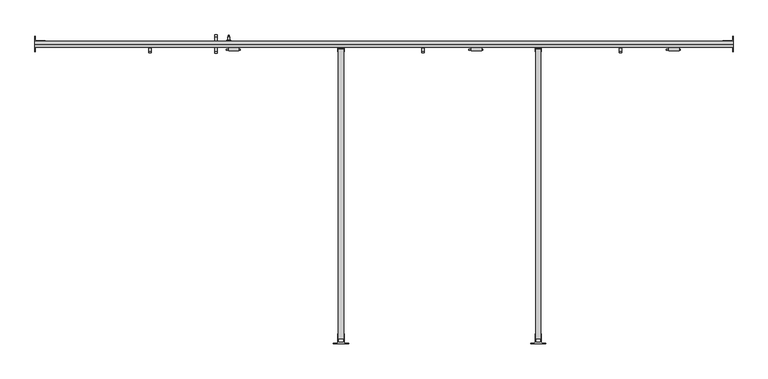
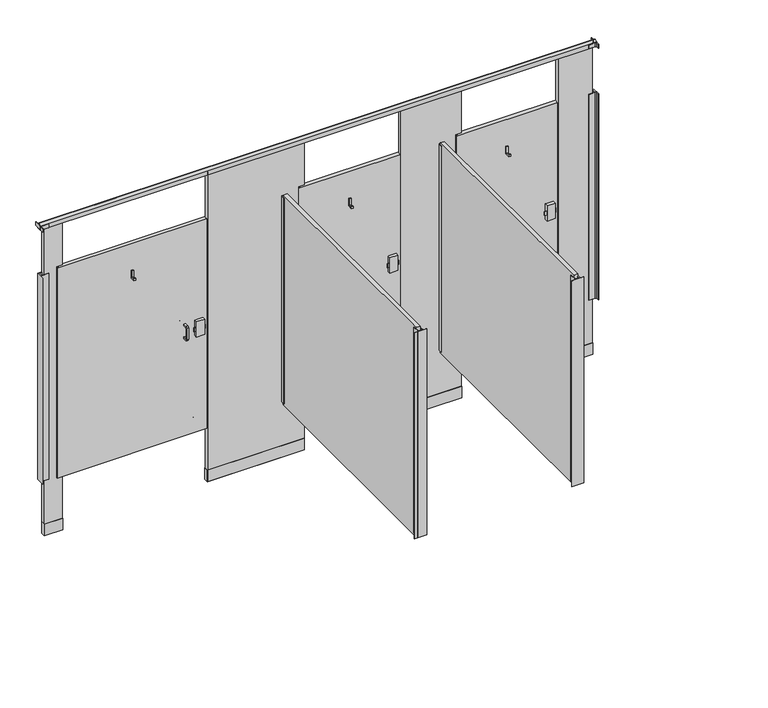
"""IFC4 building model written with IfcOpenShell, lengths in millimetres: proxy geometry."""

from ifc_helpers import new_model, si_unit, point, frame, frame_2d, origin, origin_with_axes, place, context, project, spatial, polyline, circle_curve, ellipse_curve, trimmed, segment, composite_curve, outline, extrude, source, transform, mapped, element, save
from ifc_brep_helpers import plane_surface, cylinder_surface, revolved_surface, advanced_brep


def specialty_equipment_36c74405(model_context):
    return source(origin(), model_context, "Body", "SolidModel", [
        extrude(outline(composite_curve([segment(trimmed(circle_curve(frame_2d((307.0354547, 1501.775)), 4.1602747), [point((311.1957294, 1501.775))], [point((302.87518, 1501.775))], False, "CARTESIAN"), True, "CONTINUOUS"), segment(trimmed(circle_curve(frame_2d((307.0354547, 1501.775)), 4.1602747), [point((302.87518, 1501.775))], [point((311.1957294, 1501.775))], False, "CARTESIAN"), True, "CONTINUOUS")], self_intersect=False)), frame((0.0, 0.0, 1752.6), z_axis=(0.0, 0.0, 1.0), x_axis=(1.0, 0.0, 0.0)), (0.0, 0.0, 1.0), 12.7),
        extrude(outline(polyline([(1220.2932592, 1474.4550203), (1220.2932592, 1471.4824847), (1150.2733709, 1471.4824847), (1150.2733709, 1474.4550203), (1220.2932592, 1474.4550203)])), frame((0.0, 0.0, 1041.4), z_axis=(0.0, 0.0, 1.0), x_axis=(1.0, 0.0, 0.0)), (0.0, 0.0, 1.0), 25.4),
        extrude(outline(composite_curve([segment(polyline([(1466.2141724, 1102.36), (1489.0741724, 1102.36), (1489.0741724, 1092.2), (1466.2141724, 1092.2)]), True, "CONTINUOUS"), segment(trimmed(circle_curve(frame_2d((1466.2141724, 1089.66)), 2.54), [point((1466.2141724, 1092.2))], [point((1463.6741724, 1089.66))], True, "CARTESIAN"), True, "CONTINUOUS"), segment(polyline([(1463.6741724, 1089.66), (1463.6741724, 1018.54)]), True, "CONTINUOUS"), segment(trimmed(circle_curve(frame_2d((1466.2141724, 1018.54)), 2.54), [point((1463.6741724, 1018.54))], [point((1466.2141724, 1016.0))], True, "CARTESIAN"), True, "CONTINUOUS"), segment(polyline([(1466.2141724, 1016.0), (1489.0741724, 1016.0), (1489.0741724, 1005.84), (1466.2141724, 1005.84)]), True, "CONTINUOUS"), segment(trimmed(circle_curve(frame_2d((1466.2141724, 1016.0)), 10.16), [point((1466.2141724, 1005.84))], [point((1456.0541724, 1016.0))], False, "CARTESIAN"), True, "CONTINUOUS"), segment(polyline([(1456.0541724, 1016.0), (1456.0541724, 1092.2)]), True, "CONTINUOUS"), segment(trimmed(circle_curve(frame_2d((1466.2141724, 1092.2)), 10.16), [point((1456.0541724, 1092.2))], [point((1466.2141724, 1102.36))], False, "CARTESIAN"), True, "CONTINUOUS")], self_intersect=False)), frame((1094.4120131, 0.0, 0.0), z_axis=(1.0, 0.0, 0.0), x_axis=(0.0, 1.0, 0.0)), (0.0, 0.0, 1.0), 11.4113578),
        extrude(outline(composite_curve([segment(trimmed(circle_curve(frame_2d((1537.335, 1092.2)), 10.16), [point((1537.335, 1102.36))], [point((1547.495, 1092.2))], False, "CARTESIAN"), True, "CONTINUOUS"), segment(polyline([(1547.495, 1092.2), (1547.495, 1016.0)]), True, "CONTINUOUS"), segment(trimmed(circle_curve(frame_2d((1537.335, 1016.0)), 10.16), [point((1547.495, 1016.0))], [point((1537.335, 1005.84))], False, "CARTESIAN"), True, "CONTINUOUS"), segment(polyline([(1537.335, 1005.84), (1514.475, 1005.84), (1514.475, 1016.0), (1537.335, 1016.0)]), True, "CONTINUOUS"), segment(trimmed(circle_curve(frame_2d((1537.335, 1018.54)), 2.54), [point((1537.335, 1016.0))], [point((1539.875, 1018.54))], True, "CARTESIAN"), True, "CONTINUOUS"), segment(polyline([(1539.875, 1018.54), (1539.875, 1089.66)]), True, "CONTINUOUS"), segment(trimmed(circle_curve(frame_2d((1537.335, 1089.66)), 2.54), [point((1539.875, 1089.66))], [point((1537.335, 1092.2))], True, "CARTESIAN"), True, "CONTINUOUS"), segment(polyline([(1537.335, 1092.2), (1514.475, 1092.2), (1514.475, 1102.36), (1537.335, 1102.36)]), True, "CONTINUOUS")], self_intersect=False)), frame((1094.4120131, 0.0, 0.0), z_axis=(1.0, 0.0, 0.0), x_axis=(0.0, 1.0, 0.0)), (0.0, 0.0, 1.0), 11.4113578),
        extrude(outline(polyline([(1489.0741724, 1525.7003365), (1457.3241724, 1525.7003365), (1457.3241724, 1538.4003365), (1463.6741724, 1538.4003365), (1463.6741724, 1532.0503365), (1482.7241724, 1532.0503365), (1482.7241724, 1576.5003365), (1489.0741724, 1576.5003365), (1489.0741724, 1525.7003365)])), frame((762.0002547, 0.0, 0.0), z_axis=(1.0, 0.0, 0.0), x_axis=(0.0, 1.0, 0.0)), (0.0, 0.0, 1.0), 12.7),
        extrude(outline(composite_curve([segment(trimmed(circle_curve(frame_2d((431.8, 1163.6250547)), 3.4532283), [point((428.3467717, 1163.6250547))], [point((435.2532283, 1163.6250547))], False, "CARTESIAN"), True, "CONTINUOUS"), segment(trimmed(circle_curve(frame_2d((431.8, 1163.6250547)), 3.4532283), [point((435.2532283, 1163.6250547))], [point((428.3467717, 1163.6250547))], False, "CARTESIAN"), True, "CONTINUOUS")], self_intersect=False)), frame((0.0, 1537.335, 0.0), z_axis=(0.0, 1.0, 0.0), x_axis=(0.0, 0.0, 1.0)), (0.0, 0.0, 1.0), 7.62),
        advanced_brep(
        [(1163.6250547, 1514.475, 431.8), (1182.6750547, 1514.475, 431.8), (1144.5750547, 1514.475, 431.8), (1168.7050547, 1537.335, 431.8), (1163.6250547, 1537.335, 431.8), (1158.5450547, 1537.335, 431.8), (1168.7050547, 1522.095, 431.8), (1158.5450547, 1522.095, 431.8), (1173.7850547, 1517.015, 431.8), (1153.4650547, 1517.015, 431.8), (1182.6750547, 1517.015, 431.8), (1144.5750547, 1517.015, 431.8)],
        [
            (0, 1),
            (1, 2, circle_curve(frame((1163.6250547, 1514.475, 431.8), z_axis=(0.0, -1.0, 0.0), x_axis=(-1.0, 0.0, 0.0)), 19.05)),
            (2, 0),
            (2, 1, circle_curve(frame((1163.6250547, 1514.475, 431.8), z_axis=(0.0, -1.0, 0.0), x_axis=(-1.0, 0.0, 0.0)), 19.05)),
            (3, 4),
            (4, 5),
            (5, 3, circle_curve(frame((1163.6250547, 1537.335, 431.8), z_axis=(0.0, 1.0, 0.0), x_axis=(-1.0, 0.0, 0.0)), 5.08)),
            (3, 5, circle_curve(frame((1163.6250547, 1537.335, 431.8), z_axis=(0.0, 1.0, 0.0), x_axis=(-1.0, 0.0, 0.0)), 5.08)),
            (6, 3),
            (5, 7),
            (7, 6, circle_curve(frame((1163.6250547, 1522.095, 431.8), z_axis=(0.0, 1.0, 0.0), x_axis=(-1.0, 0.0, 0.0)), 5.08)),
            (6, 7, circle_curve(frame((1163.6250547, 1522.095, 431.8), z_axis=(0.0, 1.0, 0.0), x_axis=(-1.0, 0.0, 0.0)), 5.08)),
            (8, 6, circle_curve(frame((1168.7050547, 1517.015, 431.8), z_axis=(0.0, 0.0, 1.0), x_axis=(0.0, 1.0, 0.0)), 5.08)),
            (7, 9, circle_curve(frame((1158.5450547, 1517.015, 431.8), z_axis=(0.0, 0.0, 1.0), x_axis=(0.0, 1.0, 0.0)), 5.08)),
            (9, 8, circle_curve(frame((1163.6250547, 1517.015, 431.8), z_axis=(0.0, 1.0, 0.0), x_axis=(-1.0, 0.0, 0.0)), 10.16)),
            (8, 9, circle_curve(frame((1163.6250547, 1517.015, 431.8), z_axis=(0.0, 1.0, 0.0), x_axis=(-1.0, 0.0, 0.0)), 10.16)),
            (10, 8),
            (9, 11),
            (11, 10, circle_curve(frame((1163.6250547, 1517.015, 431.8), z_axis=(0.0, 1.0, 0.0), x_axis=(-1.0, 0.0, 0.0)), 19.05)),
            (10, 11, circle_curve(frame((1163.6250547, 1517.015, 431.8), z_axis=(0.0, 1.0, 0.0), x_axis=(-1.0, 0.0, 0.0)), 19.05)),
            (1, 10),
            (11, 2),
        ],
        [
            plane_surface(frame((1163.6250547, 1514.475, 431.8), z_axis=(0.0, -1.0, 0.0), x_axis=(-1.0, 0.0, 0.0))),
            plane_surface(frame((1163.6250547, 1537.335, 431.8), z_axis=(0.0, 1.0, 0.0), x_axis=(-1.0, 0.0, 0.0))),
            cylinder_surface(frame((1163.6250547, 1558.4547247, 431.8), z_axis=(0.0, -1.0, 0.0), x_axis=(-1.0, 0.0, 0.0)), 5.08),
            revolved_surface(trimmed(ellipse_curve(frame((1158.5450547, 1517.015, 431.8), z_axis=(0.0, 0.0, 1.0), x_axis=(0.0, 1.0, 0.0)), 5.08, 5.08), [point((1158.5450547, 1522.095, 431.8))], [point((1153.4650547, 1517.015, 431.8))], True, "CARTESIAN"), (1163.6250547, 1558.4547247, 431.8), (0.0, -1.0, 0.0)),
            plane_surface(frame((1163.6250547, 1517.015, 431.8), z_axis=(0.0, 1.0, 0.0), x_axis=(-1.0, 0.0, 0.0))),
            cylinder_surface(frame((1163.6250547, 1558.4547247, 431.8), z_axis=(0.0, -1.0, 0.0), x_axis=(-1.0, 0.0, 0.0)), 19.05),
        ],
        [
            (0, [[1, 2, 3]]),
            (0, [[-3, 4, -1]]),
            (1, [[5, 6, 7]]),
            (1, [[-6, -5, 8]]),
            (2, [[9, -7, 10, 11]]),
            (2, [[-10, -8, -9, 12]]),
            (3, [[13, -11, 14, 15]]),
            (3, [[-14, -12, -13, 16]]),
            (4, [[17, -15, 18, 19]]),
            (4, [[-18, -16, -17, 20]]),
            (5, [[21, -19, 22, -2]]),
            (5, [[-22, -20, -21, -4]]),
        ],
    ),
        extrude(outline(polyline([(1214.4250547, 1489.0741724), (1214.4250547, 1468.9965532), (1162.9733709, 1468.9965532), (1162.9733709, 1489.0741724), (1214.4250547, 1489.0741724)])), frame((0.0, 0.0, 1003.3), z_axis=(0.0, 0.0, 1.0), x_axis=(1.0, 0.0, 0.0)), (0.0, 0.0, 1.0), 101.6),
        extrude(outline(composite_curve([segment(trimmed(circle_curve(frame_2d((1831.0354547, 1501.775)), 4.1602747), [point((1835.1957294, 1501.775))], [point((1826.87518, 1501.775))], False, "CARTESIAN"), True, "CONTINUOUS"), segment(trimmed(circle_curve(frame_2d((1831.0354547, 1501.775)), 4.1602747), [point((1826.87518, 1501.775))], [point((1835.1957294, 1501.775))], False, "CARTESIAN"), True, "CONTINUOUS")], self_intersect=False)), frame((0.0, 0.0, 1752.6), z_axis=(0.0, 0.0, 1.0), x_axis=(1.0, 0.0, 0.0)), (0.0, 0.0, 1.0), 12.7),
        extrude(outline(polyline([(2439.4932592, 1474.4550203), (2439.4932592, 1471.4824847), (2369.4733709, 1471.4824847), (2369.4733709, 1474.4550203), (2439.4932592, 1474.4550203)])), frame((0.0, 0.0, 1041.4), z_axis=(0.0, 0.0, 1.0), x_axis=(1.0, 0.0, 0.0)), (0.0, 0.0, 1.0), 25.4),
        extrude(outline(polyline([(1489.0741724, 1525.7003365), (1457.3241724, 1525.7003365), (1457.3241724, 1538.4003365), (1463.6741724, 1538.4003365), (1463.6741724, 1532.0503365), (1482.7241724, 1532.0503365), (1482.7241724, 1576.5003365), (1489.0741724, 1576.5003365), (1489.0741724, 1525.7003365)])), frame((2133.6002547, 0.0, 0.0), z_axis=(1.0, 0.0, 0.0), x_axis=(0.0, 1.0, 0.0)), (0.0, 0.0, 1.0), 12.7),
        extrude(outline(polyline([(2433.6250547, 1489.0741724), (2433.6250547, 1468.9965532), (2382.1733709, 1468.9965532), (2382.1733709, 1489.0741724), (2433.6250547, 1489.0741724)])), frame((0.0, 0.0, 1003.3), z_axis=(0.0, 0.0, 1.0), x_axis=(1.0, 0.0, 0.0)), (0.0, 0.0, 1.0), 101.6),
        extrude(outline(composite_curve([segment(trimmed(circle_curve(frame_2d((2821.6354547, 1501.775)), 4.1602747), [point((2825.7957294, 1501.775))], [point((2817.47518, 1501.775))], False, "CARTESIAN"), True, "CONTINUOUS"), segment(trimmed(circle_curve(frame_2d((2821.6354547, 1501.775)), 4.1602747), [point((2817.47518, 1501.775))], [point((2825.7957294, 1501.775))], False, "CARTESIAN"), True, "CONTINUOUS")], self_intersect=False)), frame((0.0, 0.0, 1752.6), z_axis=(0.0, 0.0, 1.0), x_axis=(1.0, 0.0, 0.0)), (0.0, 0.0, 1.0), 12.7),
        extrude(outline(polyline([(3430.0932592, 1474.4550203), (3430.0932592, 1471.4824847), (3360.0733709, 1471.4824847), (3360.0733709, 1474.4550203), (3430.0932592, 1474.4550203)])), frame((0.0, 0.0, 1041.4), z_axis=(0.0, 0.0, 1.0), x_axis=(1.0, 0.0, 0.0)), (0.0, 0.0, 1.0), 25.4),
        extrude(outline(polyline([(1489.0741724, 1525.7003365), (1457.3241724, 1525.7003365), (1457.3241724, 1538.4003365), (1463.6741724, 1538.4003365), (1463.6741724, 1532.0503365), (1482.7241724, 1532.0503365), (1482.7241724, 1576.5003365), (1489.0741724, 1576.5003365), (1489.0741724, 1525.7003365)])), frame((3124.2002547, 0.0, 0.0), z_axis=(1.0, 0.0, 0.0), x_axis=(0.0, 1.0, 0.0)), (0.0, 0.0, 1.0), 12.7),
        extrude(outline(polyline([(3424.2250547, 1489.0741724), (3424.2250547, 1468.9965532), (3372.7733709, 1468.9965532), (3372.7733709, 1489.0741724), (3424.2250547, 1489.0741724)])), frame((0.0, 0.0, 1003.3), z_axis=(0.0, 0.0, 1.0), x_axis=(1.0, 0.0, 0.0)), (0.0, 0.0, 1.0), 101.6),
        extrude(outline(composite_curve([segment(polyline([(190.5002547, 1463.675), (190.5002547, 1539.875), (193.0402547, 1539.875), (193.0402547, 1523.365)]), True, "CONTINUOUS"), segment(trimmed(circle_curve(frame_2d((199.3902547, 1523.365)), 6.35), [point((193.0402547, 1523.365))], [point((199.3902547, 1517.015))], True, "CARTESIAN"), True, "CONTINUOUS"), segment(polyline([(199.3902547, 1517.015), (241.3002547, 1517.015), (241.3002547, 1514.475), (197.4480735, 1514.475), (197.4480735, 1489.075), (241.3002547, 1489.075), (241.3002547, 1486.535), (199.3902547, 1486.535)]), True, "CONTINUOUS"), segment(trimmed(circle_curve(frame_2d((199.3902547, 1480.185)), 6.35), [point((199.3902547, 1486.535))], [point((193.0402547, 1480.185))], True, "CARTESIAN"), True, "CONTINUOUS"), segment(polyline([(193.0402547, 1480.185), (193.0402547, 1463.675), (190.5002547, 1463.675)]), True, "CONTINUOUS")], self_intersect=False)), frame((0.0, 0.0, 2044.7), z_axis=(0.0, 0.0, 1.0), x_axis=(1.0, 0.0, 0.0)), (0.0, 0.0, 1.0), 25.4),
        extrude(outline(composite_curve([segment(polyline([(3695.7002547, 1539.875), (3695.7002547, 1463.675), (3693.1602547, 1463.675), (3693.1602547, 1480.185)]), True, "CONTINUOUS"), segment(trimmed(circle_curve(frame_2d((3686.8102547, 1480.185)), 6.35), [point((3693.1602547, 1480.185))], [point((3686.8102547, 1486.535))], True, "CARTESIAN"), True, "CONTINUOUS"), segment(polyline([(3686.8102547, 1486.535), (3644.9002547, 1486.535), (3644.9002547, 1489.075), (3688.7524359, 1489.075), (3688.7524359, 1514.475), (3644.9002547, 1514.475), (3644.9002547, 1517.015), (3686.8102547, 1517.015)]), True, "CONTINUOUS"), segment(trimmed(circle_curve(frame_2d((3686.8102547, 1523.365)), 6.35), [point((3686.8102547, 1517.015))], [point((3693.1602547, 1523.365))], True, "CARTESIAN"), True, "CONTINUOUS"), segment(polyline([(3693.1602547, 1523.365), (3693.1602547, 1539.875), (3695.7002547, 1539.875)]), True, "CONTINUOUS")], self_intersect=False)), frame((0.0, 0.0, 2044.7), z_axis=(0.0, 0.0, 1.0), x_axis=(1.0, 0.0, 0.0)), (0.0, 0.0, 1.0), 25.4),
        extrude(outline(composite_curve([segment(polyline([(3695.7002547, 1463.675), (3693.1602547, 1463.675), (3693.1602547, 1480.185)]), True, "CONTINUOUS"), segment(trimmed(circle_curve(frame_2d((3686.8102547, 1480.185)), 6.35), [point((3693.1602547, 1480.185))], [point((3686.8102547, 1486.535))], True, "CARTESIAN"), True, "CONTINUOUS"), segment(polyline([(3686.8102547, 1486.535), (3644.9002547, 1486.535), (3644.9002547, 1489.075), (3688.7524359, 1489.075), (3688.7524359, 1514.475), (3644.9002547, 1514.475), (3644.9002547, 1517.015), (3695.7002547, 1517.015), (3695.7002547, 1463.675)]), True, "CONTINUOUS")], self_intersect=False)), frame((0.0, 0.0, 368.3), z_axis=(0.0, 0.0, 1.0), x_axis=(1.0, 0.0, 0.0)), (0.0, 0.0, 1.0), 1371.6),
        extrude(outline(polyline([(2702.5602547, 1489.075), (2733.0402547, 1489.075), (2733.0402547, 1463.675), (2730.5002547, 1463.675), (2730.5002547, 1482.1271812), (2705.1002547, 1482.1271812), (2705.1002547, 1463.675), (2702.5602547, 1463.675), (2702.5602547, 1489.075)])), frame((0.0, 0.0, 368.3), z_axis=(0.0, 0.0, 1.0), x_axis=(1.0, 0.0, 0.0)), (0.0, 0.0, 1.0), 1371.6),
        extrude(outline(composite_curve([segment(polyline([(2755.9002547, -3.175), (2679.7002547, -3.175), (2679.7002547, -0.635), (2696.2102547, -0.635)]), True, "CONTINUOUS"), segment(trimmed(circle_curve(frame_2d((2696.2102547, 5.715)), 6.35), [point((2696.2102547, -0.635))], [point((2702.5602547, 5.715))], True, "CARTESIAN"), True, "CONTINUOUS"), segment(polyline([(2702.5602547, 5.715), (2702.5602547, 47.625), (2705.1002547, 47.625), (2705.1002547, 3.7728188), (2730.5002547, 3.7728188), (2730.5002547, 47.625), (2733.0402547, 47.625), (2733.0402547, 5.715)]), True, "CONTINUOUS"), segment(trimmed(circle_curve(frame_2d((2739.3902547, 5.715)), 6.35), [point((2733.0402547, 5.715))], [point((2739.3902547, -0.635))], True, "CARTESIAN"), True, "CONTINUOUS"), segment(polyline([(2739.3902547, -0.635), (2755.9002547, -0.635), (2755.9002547, -3.175)]), True, "CONTINUOUS")], self_intersect=False)), frame((0.0, 0.0, 368.3), z_axis=(0.0, 0.0, 1.0), x_axis=(1.0, 0.0, 0.0)), (0.0, 0.0, 1.0), 1371.6),
        extrude(outline(composite_curve([segment(polyline([(190.5002547, 1463.675), (190.5002547, 1517.015), (241.3002547, 1517.015), (241.3002547, 1514.475), (197.4480735, 1514.475), (197.4480735, 1489.075), (241.3002547, 1489.075), (241.3002547, 1486.535), (199.3902547, 1486.535)]), True, "CONTINUOUS"), segment(trimmed(circle_curve(frame_2d((199.3902547, 1480.185)), 6.35), [point((199.3902547, 1486.535))], [point((193.0402547, 1480.185))], True, "CARTESIAN"), True, "CONTINUOUS"), segment(polyline([(193.0402547, 1480.185), (193.0402547, 1463.675), (190.5002547, 1463.675)]), True, "CONTINUOUS")], self_intersect=False)), frame((0.0, 0.0, 368.3), z_axis=(0.0, 0.0, 1.0), x_axis=(1.0, 0.0, 0.0)), (0.0, 0.0, 1.0), 1371.6),
        extrude(outline(polyline([(1711.9602547, 1489.075), (1742.4402547, 1489.075), (1742.4402547, 1463.675), (1739.9002547, 1463.675), (1739.9002547, 1482.1271812), (1714.5002547, 1482.1271812), (1714.5002547, 1463.675), (1711.9602547, 1463.675), (1711.9602547, 1489.075)])), frame((0.0, 0.0, 368.3), z_axis=(0.0, 0.0, 1.0), x_axis=(1.0, 0.0, 0.0)), (0.0, 0.0, 1.0), 1371.6),
        extrude(outline(composite_curve([segment(polyline([(1765.3002547, -3.175), (1689.1002547, -3.175), (1689.1002547, -0.635), (1705.6102547, -0.635)]), True, "CONTINUOUS"), segment(trimmed(circle_curve(frame_2d((1705.6102547, 5.715)), 6.35), [point((1705.6102547, -0.635))], [point((1711.9602547, 5.715))], True, "CARTESIAN"), True, "CONTINUOUS"), segment(polyline([(1711.9602547, 5.715), (1711.9602547, 47.625), (1714.5002547, 47.625), (1714.5002547, 3.7728188), (1739.9002547, 3.7728188), (1739.9002547, 47.625), (1742.4402547, 47.625), (1742.4402547, 5.715)]), True, "CONTINUOUS"), segment(trimmed(circle_curve(frame_2d((1748.7902547, 5.715)), 6.35), [point((1742.4402547, 5.715))], [point((1748.7902547, -0.635))], True, "CARTESIAN"), True, "CONTINUOUS"), segment(polyline([(1748.7902547, -0.635), (1765.3002547, -0.635), (1765.3002547, -3.175)]), True, "CONTINUOUS")], self_intersect=False)), frame((0.0, 0.0, 368.3), z_axis=(0.0, 0.0, 1.0), x_axis=(1.0, 0.0, 0.0)), (0.0, 0.0, 1.0), 1371.6),
        extrude(outline(polyline([(214.9858547, 1488.1606), (214.9858547, 1515.3894), (331.1146547, 1515.3894), (331.1146547, 1488.1606), (214.9858547, 1488.1606)])), origin_with_axes(), (0.0, 0.0, 1.0), 76.2),
        extrude(outline(polyline([(2462.8858547, 1488.1606), (2462.8858547, 1515.3894), (2845.7146547, 1515.3894), (2845.7146547, 1488.1606), (2462.8858547, 1488.1606)])), origin_with_axes(), (0.0, 0.0, 1.0), 76.2),
        extrude(outline(polyline([(1243.6858547, 1488.1606), (1243.6858547, 1515.3894), (1855.1146547, 1515.3894), (1855.1146547, 1488.1606), (1243.6858547, 1488.1606)])), origin_with_axes(), (0.0, 0.0, 1.0), 76.2),
        extrude(outline(polyline([(3453.4858547, 1488.1606), (3453.4858547, 1515.3894), (3671.2146547, 1515.3894), (3671.2146547, 1488.1606), (3453.4858547, 1488.1606)])), origin_with_axes(), (0.0, 0.0, 1.0), 76.2),
        extrude(outline(polyline([(2459.0250547, 1514.475), (2459.0250547, 1489.075), (1820.8754547, 1489.075), (1820.8754547, 1514.475), (2459.0250547, 1514.475)])), frame((0.0, 0.0, 355.6), z_axis=(0.0, 0.0, 1.0), x_axis=(1.0, 0.0, 0.0)), (0.0, 0.0, 1.0), 1397.0),
        extrude(outline(polyline([(3449.6250547, 1514.475), (3449.6250547, 1489.075), (2811.4754547, 1489.075), (2811.4754547, 1514.475), (3449.6250547, 1514.475)])), frame((0.0, 0.0, 355.6), z_axis=(0.0, 0.0, 1.0), x_axis=(1.0, 0.0, 0.0)), (0.0, 0.0, 1.0), 1397.0),
        extrude(outline(polyline([(1239.8250547, 1514.475), (1239.8250547, 1489.075), (296.8754547, 1489.075), (296.8754547, 1514.475), (1239.8250547, 1514.475)])), frame((0.0, 0.0, 355.6), z_axis=(0.0, 0.0, 1.0), x_axis=(1.0, 0.0, 0.0)), (0.0, 0.0, 1.0), 1397.0),
        extrude(outline(polyline([(3454.4002547, 1489.075), (3454.4002547, 1514.475), (3670.3002547, 1514.475), (3670.3002547, 1489.075), (3454.4002547, 1489.075)])), origin_with_axes(), (0.0, 0.0, 1.0), 2063.75),
        extrude(outline(polyline([(2063.75, 2844.8002547), (2063.75, 2463.8002547), (0.0, 2463.8002547), (0.0, 2844.8002547), (355.6, 2844.8002547), (355.6, 2806.7002547), (1765.3, 2806.7002547), (1765.3, 2844.8002547), (2063.75, 2844.8002547)])), frame((0.0, 1489.075, 0.0), z_axis=(0.0, 1.0, 0.0), x_axis=(0.0, 0.0, 1.0)), (0.0, 0.0, 1.0), 25.4),
        extrude(outline(polyline([(0.0, 1854.2002547), (355.6, 1854.2002547), (355.6, 1816.1002547), (1765.3, 1816.1002547), (1765.3, 1854.2002547), (2063.75, 1854.2002547), (2063.75, 1244.6002547), (0.0, 1244.6002547), (0.0, 1854.2002547)])), frame((0.0, 1489.075, 0.0), z_axis=(0.0, 1.0, 0.0), x_axis=(0.0, 0.0, 1.0)), (0.0, 0.0, 1.0), 25.4),
        extrude(outline(polyline([(2063.75, 330.2002547), (2063.75, 215.9002547), (0.0, 215.9002547), (0.0, 330.2002547), (355.6, 330.2002547), (355.6, 292.1002547), (1765.3, 292.1002547), (1765.3, 330.2002547), (2063.75, 330.2002547)])), frame((0.0, 1489.075, 0.0), z_axis=(0.0, 1.0, 0.0), x_axis=(0.0, 0.0, 1.0)), (0.0, 0.0, 1.0), 25.4),
        extrude(outline(polyline([(2705.1002547, 1476.375), (2730.5002547, 1476.375), (2730.5002547, 22.225), (2705.1002547, 22.225), (2705.1002547, 1476.375)])), frame((0.0, 0.0, 355.6), z_axis=(0.0, 0.0, 1.0), x_axis=(1.0, 0.0, 0.0)), (0.0, 0.0, 1.0), 1397.0),
        extrude(outline(polyline([(1714.5002547, 1476.375), (1739.9002547, 1476.375), (1739.9002547, 22.225), (1714.5002547, 22.225), (1714.5002547, 1476.375)])), frame((0.0, 0.0, 355.6), z_axis=(0.0, 0.0, 1.0), x_axis=(1.0, 0.0, 0.0)), (0.0, 0.0, 1.0), 1397.0),
        extrude(outline(composite_curve([segment(polyline([(1516.761, 2044.7), (1486.789, 2044.7), (1486.789, 2073.275)]), True, "CONTINUOUS"), segment(trimmed(circle_curve(frame_2d((1485.2410036, 2092.262001)), 19.05), [point((1486.789, 2073.275))], [point((1501.775, 2082.8))], True, "CARTESIAN"), True, "CONTINUOUS"), segment(trimmed(circle_curve(frame_2d((1518.3089964, 2092.262001)), 19.05), [point((1501.775, 2082.8))], [point((1516.761, 2073.275))], True, "CARTESIAN"), True, "CONTINUOUS"), segment(polyline([(1516.761, 2073.275), (1516.761, 2044.7)]), True, "CONTINUOUS")], self_intersect=False)), frame((190.5002547, 0.0, 0.0), z_axis=(1.0, 0.0, 0.0), x_axis=(0.0, 1.0, 0.0)), (0.0, 0.0, 1.0), 3505.2),
    ])


if __name__ == "__main__":
    model = new_model("IFC4")
    model_context = context("Model", 3, world=origin())
    ifc_project = project(units=[si_unit("LENGTHUNIT", "METRE", prefix="MILLI")], contexts=[model_context])
    site = spatial("IfcSite", under=ifc_project)
    building = spatial("IfcBuilding", under=site)
    placement = place(None, origin())
    specialty_equipment_shape = specialty_equipment_36c74405(model_context)
    element("IfcBuildingElementProxy", 1, Name="Specialty Equipment", at=placement, inside=building, context=model_context, shape_type="MappedRepresentation", body=[
        mapped(specialty_equipment_shape, transform((0.0, 0.0, 0.0), x_axis=(1.0, 0.0, 0.0), y_axis=(0.0, 1.0, 0.0), z_axis=(0.0, 0.0, 1.0))),
    ])
    save(model, "model.ifc")
